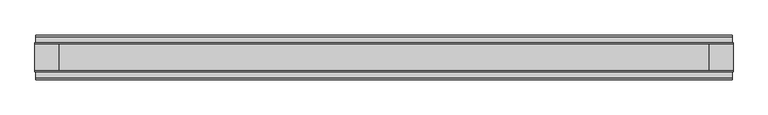
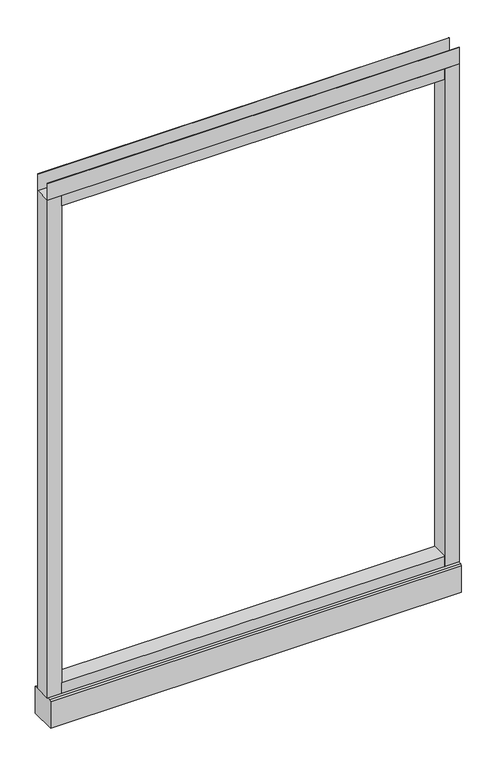
"""IFC4 building model written with IfcOpenShell, lengths in millimetres: furniture geometry."""

import ifcopenshell
import ifcopenshell.guid

model = None  # the IFC model being written
_history = None  # IfcOwnerHistory: only IFC2X3 demands one
_inside = {}  # id of a spatial element -> (the spatial element, [elements in it])
_under = {}  # id of a project, library or spatial element -> (it, [spatial elements below it])
_declared = {}  # id of a project -> (the project, [libraries it declares])
_typed = {}  # id of a type object -> (the type object, [elements of that type])
_made_of = {}  # id of a material, layer set ... -> (it, [elements and type objects made of it])


def new_model(schema):
    """Start an empty IFC model of exactly this schema.

    Asked for "IFC4X3", IfcOpenShell would pick the latest addendum, in which some entities
    have other attributes; the version numbers below select the first issue.
    IFC2X3 requires an IfcOwnerHistory on every rooted entity: one is made here for all.
    """
    global model, _history
    if schema == "IFC4X3":
        model = ifcopenshell.file(schema_version=(4, 3, 0, 0))
    else:
        model = ifcopenshell.file(schema=schema)
    _inside.clear()
    _under.clear()
    _declared.clear()
    _typed.clear()
    _made_of.clear()
    _history = None
    if model.schema == "IFC2X3":
        org = make("IfcOrganization", Name="unknown")
        user = make(
            "IfcPersonAndOrganization",
            ThePerson=make("IfcPerson", FamilyName="unknown"),
            TheOrganization=org,
        )
        app = make(
            "IfcApplication",
            ApplicationDeveloper=org,
            Version="unknown",
            ApplicationFullName="unknown",
            ApplicationIdentifier="unknown",
        )
        _history = make(
            "IfcOwnerHistory",
            OwningUser=user,
            OwningApplication=app,
            ChangeAction="ADDED",
            CreationDate=0,
        )
    return model


def make(cls, **values):
    """One entity of the class cls with the attributes given. An attribute that is None is left unset."""
    return model.create_entity(
        cls, **{name: value for name, value in values.items() if value is not None}
    )


def rooted(cls, **values):
    """An entity with a GlobalId (a new one), such as an element, a storey or a relation."""
    return make(cls, GlobalId=ifcopenshell.guid.new(), OwnerHistory=_history, **values)


def si_unit(unit_type, name, prefix=None):
    """IfcSIUnit, for example si_unit("LENGTHUNIT", "METRE", prefix="MILLI")."""
    return make("IfcSIUnit", UnitType=unit_type, Prefix=prefix, Name=name)


def assignment(units):
    """IfcUnitAssignment: the units of a project."""
    return None if units is None else make("IfcUnitAssignment", Units=units)


def point(xyz):
    """IfcCartesianPoint."""
    return None if xyz is None else make("IfcCartesianPoint", Coordinates=xyz)


def direction(xyz):
    """IfcDirection."""
    return None if xyz is None else make("IfcDirection", DirectionRatios=xyz)


def frame(location, z_axis=None, x_axis=None):
    """IfcAxis2Placement3D, a coordinate frame: its origin and axes. An axis left out is left unset."""
    return make(
        "IfcAxis2Placement3D",
        Location=point(location),
        Axis=direction(z_axis),
        RefDirection=direction(x_axis),
    )


def frame_2d(location, x_axis=None):
    """IfcAxis2Placement2D, a coordinate frame in the plane: its origin and x axis."""
    return make(
        "IfcAxis2Placement2D", Location=point(location), RefDirection=direction(x_axis)
    )


def origin():
    """The frame at (0, 0, 0) with its axes left unset."""
    return frame((0.0, 0.0, 0.0))


def place(relative_to, where):
    """IfcLocalPlacement: puts the frame where relative to a parent placement (None: the world)."""
    return make(
        "IfcLocalPlacement", PlacementRelTo=relative_to, RelativePlacement=where
    )


def context(
    kind, dimensions, precision=None, world=None, true_north=None, identifier=None
):
    """IfcGeometricRepresentationContext, for example the 3D "Model" context."""
    return make(
        "IfcGeometricRepresentationContext",
        ContextIdentifier=identifier,
        ContextType=kind,
        CoordinateSpaceDimension=dimensions,
        Precision=precision,
        WorldCoordinateSystem=world,
        TrueNorth=true_north,
    )


def project(units=None, contexts=None):
    """IfcProject with its units and contexts."""
    return rooted(
        "IfcProject",
        Name="project",
        RepresentationContexts=contexts,
        UnitsInContext=assignment(units),
    )


def spatial(cls, under=None, at=None, **own):
    """A site, building, storey or space (cls), placed at a placement, below another one or the project."""
    s = rooted(cls, ObjectPlacement=at, **own)
    if under is not None:
        _under.setdefault(under.id(), (under, []))[1].append(s)
    return s


def polyline(points):
    """IfcPolyline through the points."""
    return make("IfcPolyline", Points=[point(p) for p in points])


def circle_curve(where, radius):
    """IfcCircle in the frame where."""
    return make("IfcCircle", Position=where, Radius=radius)


def trimmed(basis, trim1, trim2, sense, master):
    """IfcTrimmedCurve: the piece of a basis curve between two trims."""
    return make(
        "IfcTrimmedCurve",
        BasisCurve=basis,
        Trim1=trim1,
        Trim2=trim2,
        SenseAgreement=sense,
        MasterRepresentation=master,
    )


def segment(curve, same_sense, transition):
    """IfcCompositeCurveSegment."""
    return make(
        "IfcCompositeCurveSegment",
        Transition=transition,
        SameSense=same_sense,
        ParentCurve=curve,
    )


def composite_curve(segments, self_intersect=None):
    """IfcCompositeCurve: segments joined end to end."""
    return make("IfcCompositeCurve", Segments=segments, SelfIntersect=self_intersect)


def outline(outer, holes=None, kind="AREA"):
    """IfcArbitraryClosedProfileDef: a profile drawn as a closed curve; with holes, ...WithVoids."""
    if holes is None:
        return make("IfcArbitraryClosedProfileDef", ProfileType=kind, OuterCurve=outer)
    return make(
        "IfcArbitraryProfileDefWithVoids",
        ProfileType=kind,
        OuterCurve=outer,
        InnerCurves=holes,
    )


def extrude(swept, where, along, depth):
    """IfcExtrudedAreaSolid: the profile swept, set in the frame where, extruded along a direction by depth."""
    return make(
        "IfcExtrudedAreaSolid",
        SweptArea=swept,
        Position=where,
        ExtrudedDirection=direction(along),
        Depth=depth,
    )


def shape(context_of_items, identifier, shape_type, items):
    """IfcShapeRepresentation: the items that make up one representation, for example the "Body"."""
    return make(
        "IfcShapeRepresentation",
        ContextOfItems=context_of_items,
        RepresentationIdentifier=identifier,
        RepresentationType=shape_type,
        Items=items,
    )


def source(mapping_origin, context_of_items, identifier, shape_type, items):
    """IfcRepresentationMap: a shape defined once, which mapped items show again and again."""
    return make(
        "IfcRepresentationMap",
        MappingOrigin=mapping_origin,
        MappedRepresentation=shape(context_of_items, identifier, shape_type, items),
    )


def transform(
    local_origin,
    x_axis=None,
    y_axis=None,
    z_axis=None,
    scale=None,
    scale2=None,
    scale3=None,
    uniform=True,
):
    """IfcCartesianTransformationOperator3D, or its non-uniform kind. x_axis, y_axis, z_axis: its Axis1, 2, 3."""
    if uniform:
        return make(
            "IfcCartesianTransformationOperator3D",
            Axis1=direction(x_axis),
            Axis2=direction(y_axis),
            LocalOrigin=point(local_origin),
            Scale=scale,
            Axis3=direction(z_axis),
        )
    return make(
        "IfcCartesianTransformationOperator3DnonUniform",
        Axis1=direction(x_axis),
        Axis2=direction(y_axis),
        LocalOrigin=point(local_origin),
        Scale=scale,
        Axis3=direction(z_axis),
        Scale2=scale2,
        Scale3=scale3,
    )


def mapped(mapping_source, mapping_target):
    """IfcMappedItem: shows the shape of a source again, moved by a transform."""
    return make(
        "IfcMappedItem", MappingSource=mapping_source, MappingTarget=mapping_target
    )


def made_of(thing, what):
    """Note that an element or type object is made of a material, layer set ...; save() writes the relation."""
    if what is not None:
        _made_of.setdefault(what.id(), (what, []))[1].append(thing)
    return thing


def element(
    cls,
    number,
    at=None,
    inside=None,
    cuts=None,
    type_object=None,
    material=None,
    context=None,
    identifier="Body",
    shape_type=None,
    held_by="IfcProductDefinitionShape",
    body=None,
    shapes=None,
    **own,
):
    """One element of the class cls, such as IfcWall. Its Tag is "e" and its number.

    at: its placement. inside: the storey or other place that contains it. cuts: it is an
    opening in that element (IfcRelVoidsElement). A single representation is given by context,
    identifier, shape_type and body (its items); several are given by shapes. held_by: the class
    of the entity that holds the representations. save() writes the other relations.
    """
    e = rooted(cls, Tag="e%d" % number, ObjectPlacement=at, **own)
    if body is not None:
        shapes = [shape(context, identifier, shape_type, body)]
    if shapes is not None:
        e.Representation = make(held_by, Representations=shapes)
    if inside is not None:
        _inside.setdefault(inside.id(), (inside, []))[1].append(e)
    if cuts is not None:
        rooted(
            "IfcRelVoidsElement", RelatingBuildingElement=cuts, RelatedOpeningElement=e
        )
    if type_object is not None:
        _typed.setdefault(type_object.id(), (type_object, []))[1].append(e)
    return made_of(e, material)


def aggregate(whole, parts):
    """IfcRelAggregates: a whole, such as a stair, and the parts it consists of."""
    return rooted("IfcRelAggregates", RelatingObject=whole, RelatedObjects=parts)


def save(model, path):
    """Write the relations noted so far, then the file.

    IfcRelAggregates (storeys below a building ...), IfcRelContainedInSpatialStructure (elements
    in a storey), IfcRelDefinesByType, IfcRelAssociatesMaterial and IfcRelDeclares: one each for
    every whole, place, type object, material and project.
    """
    for whole, parts in _under.values():
        aggregate(whole, parts)
    for where, things in _inside.values():
        rooted(
            "IfcRelContainedInSpatialStructure",
            RelatedElements=things,
            RelatingStructure=where,
        )
    for kind, things in _typed.values():
        rooted("IfcRelDefinesByType", RelatedObjects=things, RelatingType=kind)
    for what, things in _made_of.values():
        rooted("IfcRelAssociatesMaterial", RelatedObjects=things, RelatingMaterial=what)
    for by, libraries in _declared.values():
        rooted("IfcRelDeclares", RelatingContext=by, RelatedDefinitions=libraries)
    model.write(path)


def plane_surface(at):
    """IfcPlane: the flat surface through the origin of the frame at, square to its z axis."""
    return make("IfcPlane", Position=at)


def revolved_surface(curve, axis_point, axis_direction):
    """IfcSurfaceOfRevolution: the curve turned about the line through axis_point along axis_direction."""
    return make(
        "IfcSurfaceOfRevolution",
        SweptCurve=make("IfcArbitraryOpenProfileDef", ProfileType="CURVE", Curve=curve),
        AxisPosition=make("IfcAxis1Placement", Location=point(axis_point), Axis=direction(axis_direction)),
    )


def advanced_brep(points, edges, surfaces, faces):
    """IfcAdvancedBrep: a solid bounded by faces that lie on surfaces and meet in shared edges.

    An edge is (start, end): straight between two places in points (the first is 0);
    or (start, end, curve); or (start, end, curve, False) where it runs against its curve.
    A face is (place in surfaces, loops), or (place, loops, False) where it looks against
    its surface's normal. A loop lists edges by number (the first is 1), with a minus sign
    where the edge is run from its end to its start. The first loop is the outer one.
    """
    corners = [point(p) for p in points]
    vertices = [make("IfcVertexPoint", VertexGeometry=c) for c in corners]
    made = []
    for start, end, *more in edges:
        made.append(
            make(
                "IfcEdgeCurve",
                EdgeStart=vertices[start],
                EdgeEnd=vertices[end],
                EdgeGeometry=more[0] if more else make("IfcPolyline", Points=[corners[start], corners[end]]),
                SameSense=more[1] if len(more) > 1 else True,
            )
        )
    hull = []
    for where, loops, *sense in faces:
        bounds = []
        for j, loop in enumerate(loops):
            ring = [make("IfcOrientedEdge", EdgeElement=made[abs(k) - 1], Orientation=k > 0) for k in loop]
            bounds.append(
                make(
                    "IfcFaceOuterBound" if j == 0 else "IfcFaceBound",
                    Bound=make("IfcEdgeLoop", EdgeList=ring),
                    Orientation=True,
                )
            )
        hull.append(make("IfcAdvancedFace", Bounds=bounds, FaceSurface=surfaces[where], SameSense=sense[0] if sense else True))
    return make("IfcAdvancedBrep", Outer=make("IfcClosedShell", CfsFaces=hull))


def furniture_4618fbdf(model_context):
    return source(origin(), model_context, "Body", "SolidModel", [
        advanced_brep(
        [(539.75, 0.0, 6.35), (565.15, 0.0, 6.35), (533.4, 0.0, 0.0), (571.5, 0.0, 0.0)],
        [
            (0, 1, circle_curve(frame((552.45, 0.0, 6.35), z_axis=(0.0, 0.0, 1.0), x_axis=(-1.0, 0.0, 0.0)), 12.7)),
            (1, 0, circle_curve(frame((552.45, 0.0, 6.35), z_axis=(0.0, 0.0, 1.0), x_axis=(1.0, 0.0, 0.0)), 12.7)),
            (2, 3, circle_curve(frame((552.45, 0.0, 0.0), z_axis=(0.0, 0.0, -1.0), x_axis=(1.0, 0.0, 0.0)), 19.05)),
            (3, 2, circle_curve(frame((552.45, 0.0, 0.0), z_axis=(0.0, 0.0, -1.0), x_axis=(-1.0, 0.0, 0.0)), 19.05)),
            (3, 1),
            (0, 2),
        ],
        [
            plane_surface(frame((552.45, 0.0, 6.35), z_axis=(0.0, 0.0, 1.0), x_axis=(0.0, -1.0, 0.0))),
            plane_surface(frame((552.45, 0.0, 0.0), z_axis=(0.0, 0.0, -1.0), x_axis=(0.0, -1.0, 0.0))),
            revolved_surface(polyline([(539.75, 0.0, 6.35), (533.4, 0.0, 0.0)]), (552.45, 0.0, 19.05), (0.0, 0.0, -1.0)),
            revolved_surface(polyline([(565.15, 0.0, 6.35), (571.5, 0.0, 0.0)]), (552.45, 0.0, 19.05), (0.0, 0.0, -1.0)),
        ],
        [
            (0, [[1, 2]]),
            (1, [[3, 4]]),
            (2, [[-4, 5, -1, 6]]),
            (3, [[-3, -6, -2, -5]]),
        ],
    ),
        advanced_brep(
        [(-565.15, 0.0, 6.35), (-539.75, 0.0, 6.35), (-571.5, 0.0, 0.0), (-533.4, 0.0, 0.0)],
        [
            (0, 1, circle_curve(frame((-552.45, 0.0, 6.35), z_axis=(0.0, 0.0, 1.0), x_axis=(-1.0, 0.0, 0.0)), 12.7)),
            (1, 0, circle_curve(frame((-552.45, 0.0, 6.35), z_axis=(0.0, 0.0, 1.0), x_axis=(1.0, 0.0, 0.0)), 12.7)),
            (2, 3, circle_curve(frame((-552.45, 0.0, 0.0), z_axis=(0.0, 0.0, -1.0), x_axis=(1.0, 0.0, 0.0)), 19.05)),
            (3, 2, circle_curve(frame((-552.45, 0.0, 0.0), z_axis=(0.0, 0.0, -1.0), x_axis=(-1.0, 0.0, 0.0)), 19.05)),
            (3, 1),
            (0, 2),
        ],
        [
            plane_surface(frame((-552.45, 0.0, 6.35), z_axis=(0.0, 0.0, 1.0), x_axis=(0.0, -1.0, 0.0))),
            plane_surface(frame((-552.45, 0.0, 0.0), z_axis=(0.0, 0.0, -1.0), x_axis=(0.0, -1.0, 0.0))),
            revolved_surface(polyline([(-565.15, 0.0, 6.35), (-571.5, 0.0, 0.0)]), (-552.45, 0.0, 19.05), (0.0, 0.0, -1.0)),
            revolved_surface(polyline([(-539.75, 0.0, 6.35), (-533.4, 0.0, 0.0)]), (-552.45, 0.0, 19.05), (0.0, 0.0, -1.0)),
        ],
        [
            (0, [[1, 2]]),
            (1, [[3, 4]]),
            (2, [[-4, 5, -1, 6]]),
            (3, [[-3, -6, -2, -5]]),
        ],
    ),
        extrude(outline(polyline([(609.6, -23.8125), (609.6, -25.4), (-609.6, -25.4), (-609.6, -23.8125), (609.6, -23.8125)])), frame((0.0, 0.0, 1661.033), z_axis=(0.0, 0.0, 1.0), x_axis=(1.0, 0.0, 0.0)), (0.0, 0.0, 1.0), 51.435),
        extrude(outline(polyline([(609.6, 25.4), (609.6, 23.8125), (-609.6, 23.8125), (-609.6, 25.4), (609.6, 25.4)])), frame((0.0, 0.0, 1661.033), z_axis=(0.0, 0.0, 1.0), x_axis=(1.0, 0.0, 0.0)), (0.0, 0.0, 1.0), 51.435),
        extrude(outline(polyline([(566.7375, -25.4), (-566.7375, -25.4), (-566.7375, 25.4), (566.7375, 25.4), (566.7375, -25.4)])), frame((0.0, 0.0, 1628.14), z_axis=(0.0, 0.0, 1.0), x_axis=(1.0, 0.0, 0.0)), (0.0, 0.0, 1.0), 32.893),
        extrude(outline(polyline([(566.7375, -25.4), (-566.7375, -25.4), (-566.7375, 25.4), (566.7375, 25.4), (566.7375, -25.4)])), frame((0.0, 0.0, 101.6), z_axis=(0.0, 0.0, 1.0), x_axis=(1.0, 0.0, 0.0)), (0.0, 0.0, 1.0), 32.893),
        extrude(outline(composite_curve([segment(trimmed(circle_curve(frame_2d((-552.45, 0.0)), 5.55625), [point((-558.00625, 0.0))], [point((-546.89375, 0.0))], False, "CARTESIAN"), True, "CONTINUOUS"), segment(trimmed(circle_curve(frame_2d((-552.45, 0.0)), 5.55625), [point((-546.89375, 0.0))], [point((-558.00625, 0.0))], False, "CARTESIAN"), True, "CONTINUOUS")], self_intersect=False)), frame((0.0, 0.0, 6.35), z_axis=(0.0, 0.0, 1.0), x_axis=(1.0, 0.0, 0.0)), (0.0, 0.0, 1.0), 7.9375),
        extrude(outline(composite_curve([segment(trimmed(circle_curve(frame_2d((552.45, 0.0)), 5.55625), [point((546.89375, 0.0))], [point((558.00625, 0.0))], False, "CARTESIAN"), True, "CONTINUOUS"), segment(trimmed(circle_curve(frame_2d((552.45, 0.0)), 5.55625), [point((558.00625, 0.0))], [point((546.89375, 0.0))], False, "CARTESIAN"), True, "CONTINUOUS")], self_intersect=False)), frame((0.0, 0.0, 6.35), z_axis=(0.0, 0.0, 1.0), x_axis=(1.0, 0.0, 0.0)), (0.0, 0.0, 1.0), 7.9375),
        extrude(outline(polyline([(-566.7375, -25.4), (-609.6, -25.4), (-609.6, 25.4), (-566.7375, 25.4), (-566.7375, -25.4)])), frame((0.0, 0.0, 101.6), z_axis=(0.0, 0.0, 1.0), x_axis=(1.0, 0.0, 0.0)), (0.0, 0.0, 1.0), 1559.433),
        extrude(outline(polyline([(609.6, -25.4), (566.7375, -25.4), (566.7375, 25.4), (609.6, 25.4), (609.6, -25.4)])), frame((0.0, 0.0, 101.6), z_axis=(0.0, 0.0, 1.0), x_axis=(1.0, 0.0, 0.0)), (0.0, 0.0, 1.0), 1559.433),
        extrude(outline(polyline([(-35.9171875, 101.6), (35.9171875, 101.6), (39.0921875, 98.425), (39.0921875, 14.2875), (-39.0921875, 14.2875), (-39.0921875, 98.425), (-35.9171875, 101.6)])), frame((-608.457, 0.0, 0.0), z_axis=(1.0, 0.0, 0.0), x_axis=(0.0, 1.0, 0.0)), (0.0, 0.0, 1.0), 1216.9140102),
    ])


if __name__ == "__main__":
    model = new_model("IFC4")
    model_context = context("Model", 3, world=origin())
    ifc_project = project(units=[si_unit("LENGTHUNIT", "METRE", prefix="MILLI")], contexts=[model_context])
    site = spatial("IfcSite", under=ifc_project)
    building = spatial("IfcBuilding", under=site)
    placement = place(None, origin())
    furniture_shape = furniture_4618fbdf(model_context)
    element("IfcFurniture", 1, at=placement, inside=building, context=model_context, shape_type="MappedRepresentation", body=[
        mapped(furniture_shape, transform((0.0, 0.0, 0.0), x_axis=(1.0, 0.0, 0.0), y_axis=(0.0, 1.0, 0.0), z_axis=(0.0, 0.0, 1.0))),
    ])
    save(model, "model.ifc")
